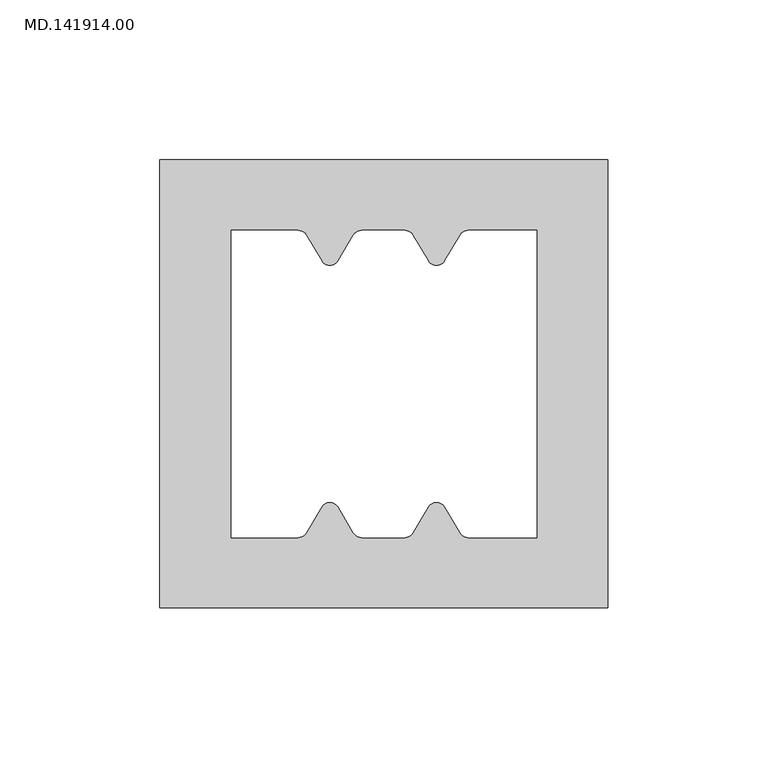
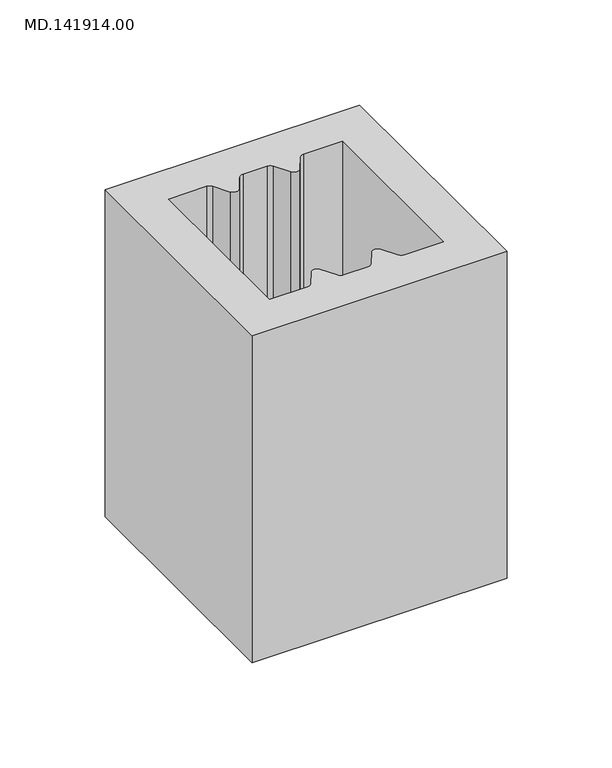
"""IFC4 building model written with IfcOpenShell, lengths in millimetres: proxy geometry, MD.141914.00."""

from ifc_helpers import new_model, si_unit, point, frame_2d, origin, origin_with_axes, place, context, project, spatial, polyline, circle_curve, trimmed, segment, composite_curve, outline, extrude, source, transform, mapped, element, save


def md_141914_00_67218181(model_context):
    return source(origin(), model_context, "Body", "SweptSolid", [
        extrude(outline(polyline([(144.9914551, 70.0050293), (144.9914551, -70.0050293), (5.0, -70.0050293), (5.0, 70.0050293), (144.9914551, 70.0050293)]), holes=[composite_curve([segment(trimmed(circle_curve(frame_2d((81.4587215, 45.0000173)), 3.0), [point((84.0391607, 46.5301589))], [point((81.4587215, 48.0000173))], True, "CARTESIAN"), True, "CONTINUOUS"), segment(polyline([(81.4587215, 48.0000173), (68.0404437, 48.0000173)]), True, "CONTINUOUS"), segment(trimmed(circle_curve(frame_2d((68.0404437, 45.0000173)), 3.0), [point((68.0404437, 48.0000173))], [point((65.4600045, 46.5301589))], True, "CARTESIAN"), True, "CONTINUOUS"), segment(polyline([(65.4600045, 46.5301589), (60.6633551, 38.4410635)]), True, "CONTINUOUS"), segment(trimmed(circle_curve(frame_2d((58.0829159, 39.9712052)), 3.0), [point((60.6633551, 38.4410635))], [point((55.5024767, 38.4410635))], False, "CARTESIAN"), True, "CONTINUOUS"), segment(polyline([(55.5024767, 38.4410635), (50.7058274, 46.5301589)]), True, "CONTINUOUS"), segment(trimmed(circle_curve(frame_2d((48.1253882, 45.0000173)), 3.0), [point((50.7058274, 46.5301589))], [point((48.1253882, 48.0000173))], True, "CARTESIAN"), True, "CONTINUOUS"), segment(polyline([(48.1253882, 48.0000173), (27.2495826, 48.0000173), (27.2495826, -47.9999827), (48.1253882, -47.9999827)]), True, "CONTINUOUS"), segment(trimmed(circle_curve(frame_2d((48.1253882, -44.9999827)), 3.0), [point((48.1253882, -47.9999827))], [point((50.7058274, -46.5301244))], True, "CARTESIAN"), True, "CONTINUOUS"), segment(polyline([(50.7058274, -46.5301244), (55.5024767, -38.441029)]), True, "CONTINUOUS"), segment(trimmed(circle_curve(frame_2d((58.0829159, -39.9711707)), 3.0), [point((55.5024767, -38.441029))], [point((60.6633551, -38.441029))], False, "CARTESIAN"), True, "CONTINUOUS"), segment(polyline([(60.6633551, -38.441029), (65.4600045, -46.5301244)]), True, "CONTINUOUS"), segment(trimmed(circle_curve(frame_2d((68.0404437, -44.9999827)), 3.0), [point((65.4600045, -46.5301244))], [point((68.0404437, -47.9999827))], True, "CARTESIAN"), True, "CONTINUOUS"), segment(polyline([(68.0404437, -47.9999827), (81.4587215, -47.9999827)]), True, "CONTINUOUS"), segment(trimmed(circle_curve(frame_2d((81.4587215, -44.9999827)), 3.0), [point((81.4587215, -47.9999827))], [point((84.0391607, -46.5301244))], True, "CARTESIAN"), True, "CONTINUOUS"), segment(polyline([(84.0391607, -46.5301244), (88.83581, -38.441029)]), True, "CONTINUOUS"), segment(trimmed(circle_curve(frame_2d((91.4162492, -39.9711707)), 3.0), [point((88.83581, -38.441029))], [point((93.9966884, -38.441029))], False, "CARTESIAN"), True, "CONTINUOUS"), segment(polyline([(93.9966884, -38.441029), (98.7933378, -46.5301244)]), True, "CONTINUOUS"), segment(trimmed(circle_curve(frame_2d((101.373777, -44.9999827)), 3.0), [point((98.7933378, -46.5301244))], [point((101.373777, -47.9999827))], True, "CARTESIAN"), True, "CONTINUOUS"), segment(polyline([(101.373777, -47.9999827), (122.7495826, -47.9999827), (122.7495826, 48.0000173), (101.373777, 48.0000173)]), True, "CONTINUOUS"), segment(trimmed(circle_curve(frame_2d((101.373777, 45.0000173)), 3.0), [point((101.373777, 48.0000173))], [point((98.7933378, 46.5301589))], True, "CARTESIAN"), True, "CONTINUOUS"), segment(polyline([(98.7933378, 46.5301589), (93.9966884, 38.4410635)]), True, "CONTINUOUS"), segment(trimmed(circle_curve(frame_2d((91.4162492, 39.9712052)), 3.0), [point((93.9966884, 38.4410635))], [point((88.83581, 38.4410635))], False, "CARTESIAN"), True, "CONTINUOUS"), segment(polyline([(88.83581, 38.4410635), (84.0391607, 46.5301589)]), True, "CONTINUOUS")], self_intersect=False)]), origin_with_axes(), (0.0, 0.0, 1.0), 190.0),
    ])


if __name__ == "__main__":
    model = new_model("IFC4")
    model_context = context("Model", 3, world=origin())
    ifc_project = project(units=[si_unit("LENGTHUNIT", "METRE", prefix="MILLI")], contexts=[model_context])
    site = spatial("IfcSite", under=ifc_project)
    building = spatial("IfcBuilding", under=site)
    placement = place(None, origin())
    md_141914_00_shape = md_141914_00_67218181(model_context)
    element("IfcBuildingElementProxy", 1, Name="MD.141914.00", ObjectType="MD.141914.00", at=placement, inside=building, context=model_context, shape_type="MappedRepresentation", body=[
        mapped(md_141914_00_shape, transform((0.0, 0.0, 0.0), x_axis=(1.0, 0.0, 0.0), y_axis=(0.0, 1.0, 0.0), z_axis=(0.0, 0.0, 1.0))),
    ])
    save(model, "model.ifc")
